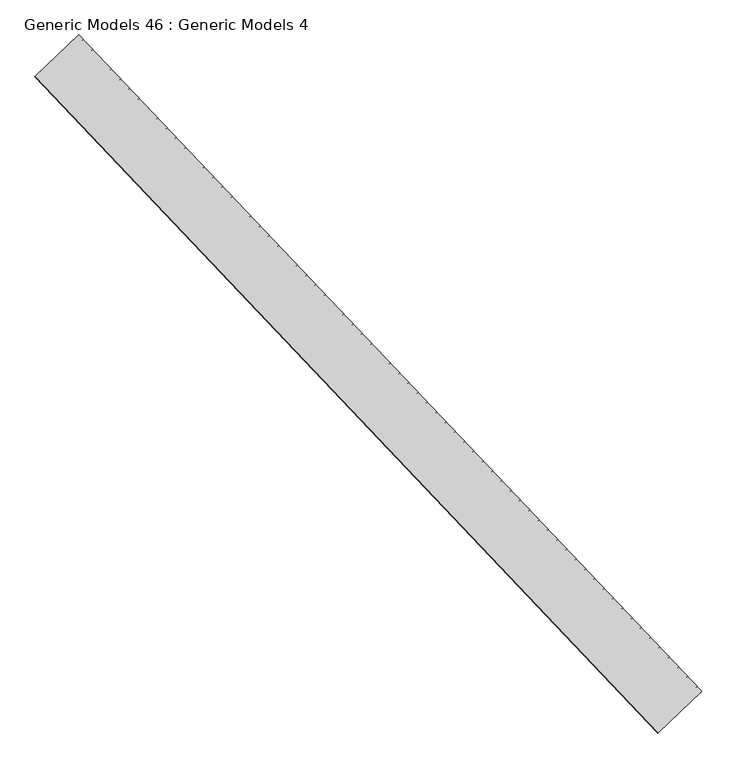
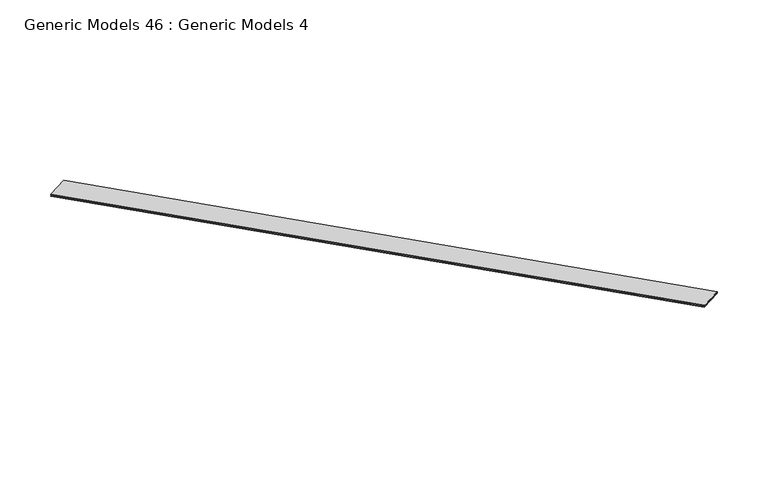
"""IFC4 building model written with IfcOpenShell, lengths in millimetres: proxy geometry, Generic Models 46 : Generic Models 4."""

import ifcopenshell
import ifcopenshell.guid

model = None  # the IFC model being written
_history = None  # IfcOwnerHistory: only IFC2X3 demands one
_inside = {}  # id of a spatial element -> (the spatial element, [elements in it])
_under = {}  # id of a project, library or spatial element -> (it, [spatial elements below it])
_declared = {}  # id of a project -> (the project, [libraries it declares])
_typed = {}  # id of a type object -> (the type object, [elements of that type])
_made_of = {}  # id of a material, layer set ... -> (it, [elements and type objects made of it])


def new_model(schema):
    """Start an empty IFC model of exactly this schema.

    Asked for "IFC4X3", IfcOpenShell would pick the latest addendum, in which some entities
    have other attributes; the version numbers below select the first issue.
    IFC2X3 requires an IfcOwnerHistory on every rooted entity: one is made here for all.
    """
    global model, _history
    if schema == "IFC4X3":
        model = ifcopenshell.file(schema_version=(4, 3, 0, 0))
    else:
        model = ifcopenshell.file(schema=schema)
    _inside.clear()
    _under.clear()
    _declared.clear()
    _typed.clear()
    _made_of.clear()
    _history = None
    if model.schema == "IFC2X3":
        org = make("IfcOrganization", Name="unknown")
        user = make(
            "IfcPersonAndOrganization",
            ThePerson=make("IfcPerson", FamilyName="unknown"),
            TheOrganization=org,
        )
        app = make(
            "IfcApplication",
            ApplicationDeveloper=org,
            Version="unknown",
            ApplicationFullName="unknown",
            ApplicationIdentifier="unknown",
        )
        _history = make(
            "IfcOwnerHistory",
            OwningUser=user,
            OwningApplication=app,
            ChangeAction="ADDED",
            CreationDate=0,
        )
    return model


def make(cls, **values):
    """One entity of the class cls with the attributes given. An attribute that is None is left unset."""
    return model.create_entity(
        cls, **{name: value for name, value in values.items() if value is not None}
    )


def rooted(cls, **values):
    """An entity with a GlobalId (a new one), such as an element, a storey or a relation."""
    return make(cls, GlobalId=ifcopenshell.guid.new(), OwnerHistory=_history, **values)


def si_unit(unit_type, name, prefix=None):
    """IfcSIUnit, for example si_unit("LENGTHUNIT", "METRE", prefix="MILLI")."""
    return make("IfcSIUnit", UnitType=unit_type, Prefix=prefix, Name=name)


def assignment(units):
    """IfcUnitAssignment: the units of a project."""
    return None if units is None else make("IfcUnitAssignment", Units=units)


def point(xyz):
    """IfcCartesianPoint."""
    return None if xyz is None else make("IfcCartesianPoint", Coordinates=xyz)


def direction(xyz):
    """IfcDirection."""
    return None if xyz is None else make("IfcDirection", DirectionRatios=xyz)


def frame(location, z_axis=None, x_axis=None):
    """IfcAxis2Placement3D, a coordinate frame: its origin and axes. An axis left out is left unset."""
    return make(
        "IfcAxis2Placement3D",
        Location=point(location),
        Axis=direction(z_axis),
        RefDirection=direction(x_axis),
    )


def origin():
    """The frame at (0, 0, 0) with its axes left unset."""
    return frame((0.0, 0.0, 0.0))


def place(relative_to, where):
    """IfcLocalPlacement: puts the frame where relative to a parent placement (None: the world)."""
    return make(
        "IfcLocalPlacement", PlacementRelTo=relative_to, RelativePlacement=where
    )


def context(
    kind, dimensions, precision=None, world=None, true_north=None, identifier=None
):
    """IfcGeometricRepresentationContext, for example the 3D "Model" context."""
    return make(
        "IfcGeometricRepresentationContext",
        ContextIdentifier=identifier,
        ContextType=kind,
        CoordinateSpaceDimension=dimensions,
        Precision=precision,
        WorldCoordinateSystem=world,
        TrueNorth=true_north,
    )


def project(units=None, contexts=None):
    """IfcProject with its units and contexts."""
    return rooted(
        "IfcProject",
        Name="project",
        RepresentationContexts=contexts,
        UnitsInContext=assignment(units),
    )


def spatial(cls, under=None, at=None, **own):
    """A site, building, storey or space (cls), placed at a placement, below another one or the project."""
    s = rooted(cls, ObjectPlacement=at, **own)
    if under is not None:
        _under.setdefault(under.id(), (under, []))[1].append(s)
    return s


def polyline(points):
    """IfcPolyline through the points."""
    return make("IfcPolyline", Points=[point(p) for p in points])


def outline(outer, holes=None, kind="AREA"):
    """IfcArbitraryClosedProfileDef: a profile drawn as a closed curve; with holes, ...WithVoids."""
    if holes is None:
        return make("IfcArbitraryClosedProfileDef", ProfileType=kind, OuterCurve=outer)
    return make(
        "IfcArbitraryProfileDefWithVoids",
        ProfileType=kind,
        OuterCurve=outer,
        InnerCurves=holes,
    )


def extrude(swept, where, along, depth):
    """IfcExtrudedAreaSolid: the profile swept, set in the frame where, extruded along a direction by depth."""
    return make(
        "IfcExtrudedAreaSolid",
        SweptArea=swept,
        Position=where,
        ExtrudedDirection=direction(along),
        Depth=depth,
    )


def shape(context_of_items, identifier, shape_type, items):
    """IfcShapeRepresentation: the items that make up one representation, for example the "Body"."""
    return make(
        "IfcShapeRepresentation",
        ContextOfItems=context_of_items,
        RepresentationIdentifier=identifier,
        RepresentationType=shape_type,
        Items=items,
    )


def source(mapping_origin, context_of_items, identifier, shape_type, items):
    """IfcRepresentationMap: a shape defined once, which mapped items show again and again."""
    return make(
        "IfcRepresentationMap",
        MappingOrigin=mapping_origin,
        MappedRepresentation=shape(context_of_items, identifier, shape_type, items),
    )


def transform(
    local_origin,
    x_axis=None,
    y_axis=None,
    z_axis=None,
    scale=None,
    scale2=None,
    scale3=None,
    uniform=True,
):
    """IfcCartesianTransformationOperator3D, or its non-uniform kind. x_axis, y_axis, z_axis: its Axis1, 2, 3."""
    if uniform:
        return make(
            "IfcCartesianTransformationOperator3D",
            Axis1=direction(x_axis),
            Axis2=direction(y_axis),
            LocalOrigin=point(local_origin),
            Scale=scale,
            Axis3=direction(z_axis),
        )
    return make(
        "IfcCartesianTransformationOperator3DnonUniform",
        Axis1=direction(x_axis),
        Axis2=direction(y_axis),
        LocalOrigin=point(local_origin),
        Scale=scale,
        Axis3=direction(z_axis),
        Scale2=scale2,
        Scale3=scale3,
    )


def mapped(mapping_source, mapping_target):
    """IfcMappedItem: shows the shape of a source again, moved by a transform."""
    return make(
        "IfcMappedItem", MappingSource=mapping_source, MappingTarget=mapping_target
    )


def made_of(thing, what):
    """Note that an element or type object is made of a material, layer set ...; save() writes the relation."""
    if what is not None:
        _made_of.setdefault(what.id(), (what, []))[1].append(thing)
    return thing


def element(
    cls,
    number,
    at=None,
    inside=None,
    cuts=None,
    type_object=None,
    material=None,
    context=None,
    identifier="Body",
    shape_type=None,
    held_by="IfcProductDefinitionShape",
    body=None,
    shapes=None,
    **own,
):
    """One element of the class cls, such as IfcWall. Its Tag is "e" and its number.

    at: its placement. inside: the storey or other place that contains it. cuts: it is an
    opening in that element (IfcRelVoidsElement). A single representation is given by context,
    identifier, shape_type and body (its items); several are given by shapes. held_by: the class
    of the entity that holds the representations. save() writes the other relations.
    """
    e = rooted(cls, Tag="e%d" % number, ObjectPlacement=at, **own)
    if body is not None:
        shapes = [shape(context, identifier, shape_type, body)]
    if shapes is not None:
        e.Representation = make(held_by, Representations=shapes)
    if inside is not None:
        _inside.setdefault(inside.id(), (inside, []))[1].append(e)
    if cuts is not None:
        rooted(
            "IfcRelVoidsElement", RelatingBuildingElement=cuts, RelatedOpeningElement=e
        )
    if type_object is not None:
        _typed.setdefault(type_object.id(), (type_object, []))[1].append(e)
    return made_of(e, material)


def aggregate(whole, parts):
    """IfcRelAggregates: a whole, such as a stair, and the parts it consists of."""
    return rooted("IfcRelAggregates", RelatingObject=whole, RelatedObjects=parts)


def save(model, path):
    """Write the relations noted so far, then the file.

    IfcRelAggregates (storeys below a building ...), IfcRelContainedInSpatialStructure (elements
    in a storey), IfcRelDefinesByType, IfcRelAssociatesMaterial and IfcRelDeclares: one each for
    every whole, place, type object, material and project.
    """
    for whole, parts in _under.values():
        aggregate(whole, parts)
    for where, things in _inside.values():
        rooted(
            "IfcRelContainedInSpatialStructure",
            RelatedElements=things,
            RelatingStructure=where,
        )
    for kind, things in _typed.values():
        rooted("IfcRelDefinesByType", RelatedObjects=things, RelatingType=kind)
    for what, things in _made_of.values():
        rooted("IfcRelAssociatesMaterial", RelatedObjects=things, RelatingMaterial=what)
    for by, libraries in _declared.values():
        rooted("IfcRelDeclares", RelatingContext=by, RelatedDefinitions=libraries)
    model.write(path)


def generic_models_46_generic_models_4_3a65a3da(model_context):
    return source(origin(), model_context, "Body", "SweptSolid", [
        extrude(outline(polyline([(0.0, -609.6), (0.0, 0.0), (8832.85, 0.0), (8832.8500001, -609.5999999), (0.0, -609.6)])), frame((113215.8040433, 53493.1297104, 17765.1950098), z_axis=(0.20597116387185244, 0.19545933627974707, 0.9588386347630948), x_axis=(-0.6883545756938628, 0.7253743710121845, 0.0)), (0.0, 0.0, 1.0), 6.35),
        extrude(outline(polyline([(1e-07, -609.5999999), (0.0, 0.0), (8832.8500001, 1e-07), (8832.8500001, -609.5999999), (1e-07, -609.5999999)])), frame((113219.727794, 53496.8532108, 17783.4608858), z_axis=(0.2059711638718528, 0.1954593362797466, 0.9588386347630948), x_axis=(-0.6883545756938613, 0.7253743710121859, 0.0)), (0.0, 0.0, 1.0), 6.35),
        extrude(outline(polyline([(-1e-07, -12.7), (0.0, 0.0), (8832.85, 0.0), (8832.85, -12.7), (-1e-07, -12.7)])), frame((113632.3477853, 53888.4149621, 17602.1735048), z_axis=(0.20597116387185252, 0.19545933627974688, 0.9588386347630948), x_axis=(-0.6883545756938623, 0.7253743710121849, 0.0)), (0.0, 0.0, 1.0), 11.90625),
    ])


if __name__ == "__main__":
    model = new_model("IFC4")
    model_context = context("Model", 3, world=origin())
    ifc_project = project(units=[si_unit("LENGTHUNIT", "METRE", prefix="MILLI")], contexts=[model_context])
    site = spatial("IfcSite", under=ifc_project)
    building = spatial("IfcBuilding", under=site)
    placement = place(None, origin())
    generic_models_46_generic_models_4_shape = generic_models_46_generic_models_4_3a65a3da(model_context)
    element("IfcBuildingElementProxy", 1, Name="Generic Models 46 : Generic Models 4", ObjectType="Generic Models 46 : Generic Models 4", at=placement, inside=building, context=model_context, shape_type="MappedRepresentation", body=[
        mapped(generic_models_46_generic_models_4_shape, transform((0.0, 0.0, 0.0), x_axis=(1.0, 0.0, 0.0), y_axis=(0.0, 1.0, 0.0), z_axis=(0.0, 0.0, 1.0))),
    ])
    save(model, "model.ifc")
